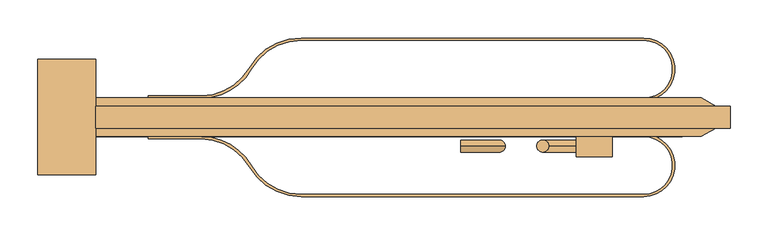
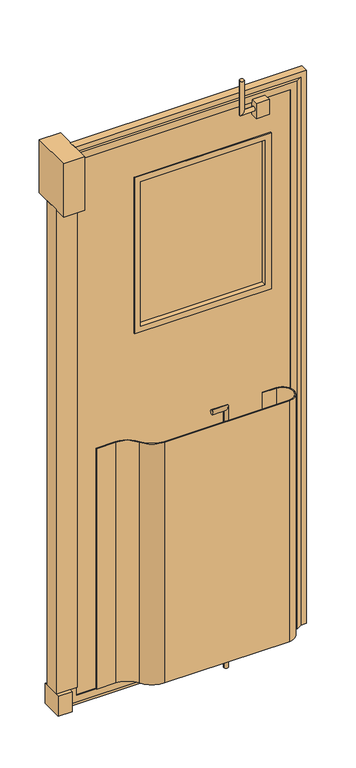
"""IFC4 building model written with IfcOpenShell, lengths in millimetres: door geometry."""

from ifc_helpers import new_model, si_unit, point, frame, frame_2d, origin, origin_with_axes, place, context, project, spatial, polyline, circle_curve, ellipse_curve, trimmed, segment, composite_curve, outline, extrude, faceted_brep, source, transform, mapped, element, save
from ifc_brep_helpers import plane_surface, cylinder_surface, advanced_brep


def door_bac3b300(model_context):
    return source(origin(), model_context, "Body", "SolidModel", [
        extrude(outline(composite_curve([segment(trimmed(circle_curve(frame_2d((1391.5906968, -964.2410438)), 76.2), [point((1391.5906968, -888.0410438))], [point((1457.5818326, -926.1410438))], False, "CARTESIAN"), True, "CONTINUOUS"), segment(trimmed(circle_curve(frame_2d((1523.5729683, -888.0410438)), 76.2), [point((1457.5818326, -926.1410438))], [point((1523.5729683, -964.2410438))], True, "CARTESIAN"), True, "CONTINUOUS"), segment(polyline([(1523.5729683, -964.2410438), (1975.7906968, -964.2410438)]), True, "CONTINUOUS"), segment(trimmed(circle_curve(frame_2d((1975.7906968, -926.1410438)), 38.1), [point((1975.7906968, -964.2410438))], [point((1975.7906968, -888.0410438))], True, "CARTESIAN"), True, "CONTINUOUS"), segment(polyline([(1975.7906968, -888.0410438), (1924.9906968, -888.0410438), (1924.9906968, -884.8660438), (1975.7906968, -884.8660438)]), True, "CONTINUOUS"), segment(trimmed(circle_curve(frame_2d((1975.7906968, -926.1410438)), 41.275), [point((1975.7906968, -884.8660438))], [point((1975.7906968, -967.4160438))], False, "CARTESIAN"), True, "CONTINUOUS"), segment(polyline([(1975.7906968, -967.4160438), (1523.5729683, -967.4160438)]), True, "CONTINUOUS"), segment(trimmed(circle_curve(frame_2d((1523.5729683, -888.0410438)), 79.375), [point((1523.5729683, -967.4160438))], [point((1454.8322019, -927.7285438))], False, "CARTESIAN"), True, "CONTINUOUS"), segment(trimmed(circle_curve(frame_2d((1391.5906968, -964.2410438)), 73.025), [point((1454.8322019, -927.7285438))], [point((1391.5906968, -891.2160438))], True, "CARTESIAN"), True, "CONTINUOUS"), segment(polyline([(1391.5906968, -891.2160438), (1321.7406968, -891.2160438), (1321.7406968, -888.0410438), (1391.5906968, -888.0410438)]), True, "CONTINUOUS")], self_intersect=False)), frame((0.0, 0.0, 44.45), z_axis=(0.0, 0.0, 1.0), x_axis=(1.0, 0.0, 0.0)), (0.0, 0.0, 1.0), 920.75),
        extrude(outline(composite_curve([segment(polyline([(1391.5906968, -837.2410438), (1321.7406968, -837.2410438), (1321.7406968, -834.0660438), (1391.5906968, -834.0660438)]), True, "CONTINUOUS"), segment(trimmed(circle_curve(frame_2d((1391.5906968, -761.0410438)), 73.025), [point((1391.5906968, -834.0660438))], [point((1454.8322019, -797.5535438))], True, "CARTESIAN"), True, "CONTINUOUS"), segment(trimmed(circle_curve(frame_2d((1523.5729683, -837.2410438)), 79.375), [point((1454.8322019, -797.5535438))], [point((1523.5729683, -757.8660438))], False, "CARTESIAN"), True, "CONTINUOUS"), segment(polyline([(1523.5729683, -757.8660438), (1975.7906968, -757.8660438)]), True, "CONTINUOUS"), segment(trimmed(circle_curve(frame_2d((1975.7906968, -799.1410438)), 41.275), [point((1975.7906968, -757.8660438))], [point((1975.7906968, -840.4160438))], False, "CARTESIAN"), True, "CONTINUOUS"), segment(polyline([(1975.7906968, -840.4160438), (1924.9906968, -840.4160438), (1924.9906968, -837.2410438), (1975.7906968, -837.2410438)]), True, "CONTINUOUS"), segment(trimmed(circle_curve(frame_2d((1975.7906968, -799.1410438)), 38.1), [point((1975.7906968, -837.2410438))], [point((1975.7906968, -761.0410438))], True, "CARTESIAN"), True, "CONTINUOUS"), segment(polyline([(1975.7906968, -761.0410438), (1523.5729683, -761.0410438)]), True, "CONTINUOUS"), segment(trimmed(circle_curve(frame_2d((1523.5729683, -837.2410438)), 76.2), [point((1523.5729683, -761.0410438))], [point((1457.5818326, -799.1410438))], True, "CARTESIAN"), True, "CONTINUOUS"), segment(trimmed(circle_curve(frame_2d((1391.5906968, -761.0410438)), 76.2), [point((1457.5818326, -799.1410438))], [point((1391.5906968, -837.2410438))], False, "CARTESIAN"), True, "CONTINUOUS")], self_intersect=False)), frame((0.0, 0.0, 44.45), z_axis=(0.0, 0.0, 1.0), x_axis=(1.0, 0.0, 0.0)), (0.0, 0.0, 1.0), 920.75),
        extrude(outline(polyline([(1226.4906968, -822.1597938), (1226.4906968, -903.1222938), (1175.6906968, -903.1222938), (1175.6906968, -822.1597938), (1226.4906968, -822.1597938)])), origin_with_axes(), (0.0, 0.0, 1.0), 76.2),
        extrude(outline(composite_curve([segment(trimmed(circle_curve(frame_2d((1596.3781968, -849.0864126)), 7.9375), [point((1588.4406968, -849.0864126))], [point((1604.3156968, -849.0864126))], False, "CARTESIAN"), True, "CONTINUOUS"), segment(trimmed(circle_curve(frame_2d((1596.3781968, -849.0864126)), 7.9375), [point((1604.3156968, -849.0864126))], [point((1588.4406968, -849.0864126))], False, "CARTESIAN"), True, "CONTINUOUS")], self_intersect=False)), frame((0.0, 0.0, 1371.6), z_axis=(0.0, 0.0, 1.0), x_axis=(1.0, 0.0, 0.0)), (0.0, 0.0, 1.0), 558.8),
        extrude(outline(composite_curve([segment(trimmed(circle_curve(frame_2d((1709.0906968, -849.0864126)), 7.9375), [point((1701.1531968, -849.0864126))], [point((1717.0281968, -849.0864126))], False, "CARTESIAN"), True, "CONTINUOUS"), segment(trimmed(circle_curve(frame_2d((1709.0906968, -849.0864126)), 7.9375), [point((1717.0281968, -849.0864126))], [point((1701.1531968, -849.0864126))], False, "CARTESIAN"), True, "CONTINUOUS")], self_intersect=False)), frame((0.0, 0.0, 1371.6), z_axis=(0.0, 0.0, 1.0), x_axis=(1.0, 0.0, 0.0)), (0.0, 0.0, 1.0), 558.8),
        extrude(outline(composite_curve([segment(trimmed(circle_curve(frame_2d((1821.8031968, -849.0864126)), 7.9375), [point((1813.8656968, -849.0864126))], [point((1829.7406968, -849.0864126))], False, "CARTESIAN"), True, "CONTINUOUS"), segment(trimmed(circle_curve(frame_2d((1821.8031968, -849.0864126)), 7.9375), [point((1829.7406968, -849.0864126))], [point((1813.8656968, -849.0864126))], False, "CARTESIAN"), True, "CONTINUOUS")], self_intersect=False)), frame((0.0, 0.0, 1371.6), z_axis=(0.0, 0.0, 1.0), x_axis=(1.0, 0.0, 0.0)), (0.0, 0.0, 1.0), 558.8),
        extrude(outline(polyline([(2051.9906968, -877.0932133), (1226.4906968, -877.0932133), (1226.4906968, -848.2926626), (2051.9906968, -848.2926626), (2051.9906968, -877.0932133)])), origin_with_axes(), (0.0, 0.0, 1.0), 19.05),
        extrude(outline(polyline([(2114.55, 2071.0406968), (19.05, 2071.0406968), (19.05, 2090.0906968), (2133.6, 2090.0906968), (2133.6, 1251.8906968), (2114.55, 1251.8906968), (2114.55, 2071.0406968)])), frame((0.0, -877.0932133, 0.0), z_axis=(0.0, 1.0, 0.0), x_axis=(0.0, 0.0, 1.0)), (0.0, 0.0, 1.0), 28.8005507),
        advanced_brep(
        [(1734.4906968, -900.7410438, 957.2625), (1734.4906968, -900.7410438, 973.1375), (1777.3531968, -900.7410438, 957.2625), (1793.2281968, -900.7410438, 973.1375), (1777.3531968, -900.7410438, -25.4), (1793.2281968, -900.7410438, -25.4)],
        [
            (0, 1, circle_curve(frame((1734.4906968, -900.7410438, 965.2), z_axis=(-1.0, 0.0, 0.0), x_axis=(0.0, 0.0, 1.0)), 7.9375)),
            (1, 0, circle_curve(frame((1734.4906968, -900.7410438, 965.2), z_axis=(-1.0, 0.0, 0.0), x_axis=(0.0, 0.0, 1.0)), 7.9375)),
            (0, 2),
            (2, 3, ellipse_curve(frame((1785.2906968, -900.7410438, 965.2), z_axis=(-0.7071067811865475, 0.0, 0.7071067811865475), x_axis=(-0.7071067811865476, 0.0, -0.7071067811865474)), 11.2253202, 7.9375)),
            (3, 1),
            (3, 2, ellipse_curve(frame((1785.2906968, -900.7410438, 965.2), z_axis=(-0.7071067811865475, 0.0, 0.7071067811865475), x_axis=(-0.7071067811865476, 0.0, -0.7071067811865474)), 11.2253202, 7.9375)),
            (4, 5, circle_curve(frame((1785.2906968, -900.7410438, -25.4), z_axis=(0.0, 0.0, -1.0), x_axis=(1.0, 0.0, 0.0)), 7.9375)),
            (5, 4, circle_curve(frame((1785.2906968, -900.7410438, -25.4), z_axis=(0.0, 0.0, -1.0), x_axis=(1.0, 0.0, 0.0)), 7.9375)),
            (2, 4),
            (5, 3),
        ],
        [
            plane_surface(frame((1734.4906968, -862.6410438, 965.2), z_axis=(-1.0, 0.0, 0.0), x_axis=(0.0, -1.0, 0.0))),
            cylinder_surface(frame((1734.4906968, -900.7410438, 965.2), z_axis=(-1.0, 0.0, 0.0), x_axis=(0.0, 0.0, 1.0)), 7.9375),
            plane_surface(frame((1785.2906968, -862.6410438, -25.4), z_axis=(0.0, 0.0, -1.0), x_axis=(0.0, -1.0, 0.0))),
            cylinder_surface(frame((1785.2906968, -900.7410438, 965.2), z_axis=(0.0, 0.0, 1.0), x_axis=(1.0, 0.0, 0.0)), 7.9375),
        ],
        [
            (0, [[1, 2]]),
            (1, [[-1, 3, 4, 5]]),
            (1, [[-2, -5, 6, -3]]),
            (2, [[7, 8]]),
            (3, [[-4, 9, -8, 10]]),
            (3, [[-6, -10, -7, -9]]),
        ],
    ),
        extrude(outline(polyline([(1934.5156968, -915.0738094), (1886.8906968, -915.0738094), (1886.8906968, -888.0410438), (1934.5156968, -888.0410438), (1934.5156968, -915.0738094)])), frame((0.0, 0.0, 2043.1125), z_axis=(0.0, 0.0, 1.0), x_axis=(1.0, 0.0, 0.0)), (0.0, 0.0, 1.0), 57.15),
        advanced_brep(
        [(1886.8906968, -900.7410438, 2081.2125), (1886.8906968, -900.7410438, 2065.3375), (1850.3781968, -900.7410438, 2081.2125), (1834.5031968, -900.7410438, 2065.3375), (1850.3781968, -900.7410438, 2197.1), (1834.5031968, -900.7410438, 2197.1)],
        [
            (0, 1, circle_curve(frame((1886.8906968, -900.7410438, 2073.275), z_axis=(1.0, 0.0, 0.0), x_axis=(0.0, 0.0, -1.0)), 7.9375)),
            (1, 0, circle_curve(frame((1886.8906968, -900.7410438, 2073.275), z_axis=(1.0, 0.0, 0.0), x_axis=(0.0, 0.0, -1.0)), 7.9375)),
            (0, 2),
            (2, 3, ellipse_curve(frame((1842.4406968, -900.7410438, 2073.275), z_axis=(0.7071067811865475, 0.0, -0.7071067811865475), x_axis=(0.7071067811865476, 0.0, 0.7071067811865474)), 11.2253202, 7.9375)),
            (3, 1),
            (3, 2, ellipse_curve(frame((1842.4406968, -900.7410438, 2073.275), z_axis=(0.7071067811865475, 0.0, -0.7071067811865475), x_axis=(0.7071067811865476, 0.0, 0.7071067811865474)), 11.2253202, 7.9375)),
            (4, 5, circle_curve(frame((1842.4406968, -900.7410438, 2197.1), z_axis=(0.0, 0.0, 1.0), x_axis=(-1.0, 0.0, 0.0)), 7.9375)),
            (5, 4, circle_curve(frame((1842.4406968, -900.7410438, 2197.1), z_axis=(0.0, 0.0, 1.0), x_axis=(-1.0, 0.0, 0.0)), 7.9375)),
            (2, 4),
            (5, 3),
        ],
        [
            plane_surface(frame((1886.8906968, -900.7410438, 2073.275), z_axis=(1.0, 0.0, 0.0), x_axis=(0.0, -1.0, 0.0))),
            cylinder_surface(frame((1886.8906968, -900.7410438, 2073.275), z_axis=(1.0, 0.0, 0.0), x_axis=(0.0, 0.0, -1.0)), 7.9375),
            plane_surface(frame((1842.4406968, -900.7410438, 2197.1), z_axis=(0.0, 0.0, 1.0), x_axis=(0.0, -1.0, 0.0))),
            cylinder_surface(frame((1842.4406968, -900.7410438, 2073.275), z_axis=(0.0, 0.0, -1.0), x_axis=(-1.0, 0.0, 0.0)), 7.9375),
        ],
        [
            (0, [[1, 2]]),
            (1, [[-1, 3, 4, 5]]),
            (1, [[-2, -5, 6, -3]]),
            (2, [[7, 8]]),
            (3, [[-4, 9, -8, 10]]),
            (3, [[-6, -10, -7, -9]]),
        ],
    ),
        faceted_brep([(1251.8906968, -888.0410438, 2114.55), (1226.4906968, -888.0410438, 2114.55), (1226.4906968, -888.0410438, 19.05), (2051.9906968, -888.0410438, 19.05), (2051.9906968, -888.0410438, 2114.55), (1251.8906968, -888.0410438, 2089.15), (2026.5906968, -888.0410438, 2089.15), (2026.5906968, -888.0410438, 44.45), (1251.8906968, -888.0410438, 44.45), (2051.9906968, -837.2410438, 2114.55), (2051.9906968, -837.2410438, 19.05), (1226.4906968, -837.2410438, 19.05), (1226.4906968, -837.2410438, 2114.55), (1251.8906968, -837.2410438, 2114.55), (2026.5906968, -837.2410438, 2089.15), (1251.8906968, -837.2410438, 2089.15), (1251.8906968, -837.2410438, 44.45), (2026.5906968, -837.2410438, 44.45), (2071.0406968, -877.0425212, 2114.55), (2071.0406968, -848.2395665, 2114.55), (2071.0406968, -848.2395665, 19.05), (2071.0406968, -877.0425212, 19.05)], [[[0, 1, 2, 3, 4], [5, 6, 7, 8]], [[9, 10, 11, 12, 13], [14, 15, 16, 17]], [[0, 4, 18, 19, 9, 13]], [[1, 0, 13, 12]], [[2, 1, 12, 11]], [[3, 2, 11, 10, 20, 21]], [[8, 7, 17, 16]], [[5, 8, 16, 15]], [[6, 5, 15, 14]], [[7, 6, 14, 17]], [[18, 4, 3, 21]], [[19, 18, 21, 20]], [[9, 19, 20, 10]]]),
        extrude(outline(polyline([(1251.8906968, -890.4222938), (1175.6906968, -890.4222938), (1175.6906968, -834.8597938), (1251.8906968, -834.8597938), (1251.8906968, -890.4222938)])), frame((0.0, 0.0, 76.2), z_axis=(0.0, 0.0, 1.0), x_axis=(1.0, 0.0, 0.0)), (0.0, 0.0, 1.0), 1854.2),
        extrude(outline(polyline([(1251.8906968, -938.8410438), (1175.6906968, -938.8410438), (1175.6906968, -786.4410438), (1251.8906968, -786.4410438), (1251.8906968, -938.8410438)])), frame((0.0, 0.0, 1930.4), z_axis=(0.0, 0.0, 1.0), x_axis=(1.0, 0.0, 0.0)), (0.0, 0.0, 1.0), 203.2),
        extrude(outline(polyline([(1934.5156968, -868.9910438), (1483.6656968, -868.9910438), (1483.6656968, -856.2910438), (1934.5156968, -856.2910438), (1934.5156968, -868.9910438)])), frame((0.0, 0.0, 1374.775), z_axis=(0.0, 0.0, 1.0), x_axis=(1.0, 0.0, 0.0)), (0.0, 0.0, 1.0), 552.45),
        extrude(outline(polyline([(1949.45, 1956.7406968), (1949.45, 1461.4406968), (1352.55, 1461.4406968), (1352.55, 1956.7406968), (1949.45, 1956.7406968)]), holes=[polyline([(1374.775, 1934.5156968), (1374.775, 1483.6656968), (1927.225, 1483.6656968), (1927.225, 1934.5156968), (1374.775, 1934.5156968)])]), frame((0.0, -888.0410438, 0.0), z_axis=(0.0, 1.0, 0.0), x_axis=(0.0, 0.0, 1.0)), (0.0, 0.0, 1.0), 50.8),
        extrude(outline(polyline([(2089.15, 2026.5906968), (2089.15, 1251.8906968), (44.45, 1251.8906968), (44.45, 2026.5906968), (2089.15, 2026.5906968)]), holes=[polyline([(1930.4, 1937.6906968), (1371.6, 1937.6906968), (1371.6, 1480.4906968), (1930.4, 1480.4906968), (1930.4, 1937.6906968)])]), frame((0.0, -884.8660438, 0.0), z_axis=(0.0, 1.0, 0.0), x_axis=(0.0, 0.0, 1.0)), (0.0, 0.0, 1.0), 44.45),
    ])


if __name__ == "__main__":
    model = new_model("IFC4")
    model_context = context("Model", 3, world=origin())
    ifc_project = project(units=[si_unit("LENGTHUNIT", "METRE", prefix="MILLI")], contexts=[model_context])
    site = spatial("IfcSite", under=ifc_project)
    building = spatial("IfcBuilding", under=site)
    placement = place(None, origin())
    door_shape = door_bac3b300(model_context)
    element("IfcDoor", 1, at=placement, inside=building, context=model_context, shape_type="MappedRepresentation", body=[
        mapped(door_shape, transform((0.0, 0.0, 0.0), x_axis=(1.0, 0.0, 0.0), y_axis=(0.0, 1.0, 0.0), z_axis=(0.0, 0.0, 1.0))),
    ])
    save(model, "model.ifc")
